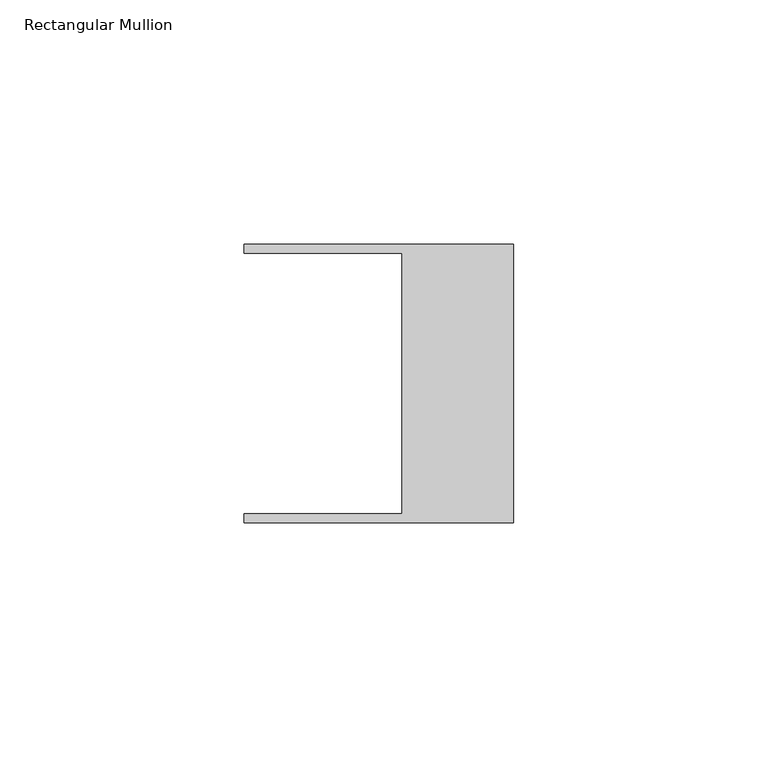
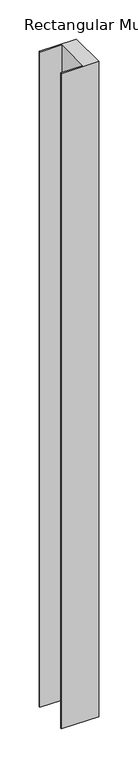
"""IFC4 building model written with IfcOpenShell, lengths in millimetres: member geometry, Rectangular Mullion."""

import ifcopenshell
import ifcopenshell.guid

model = None  # the IFC model being written
_history = None  # IfcOwnerHistory: only IFC2X3 demands one
_inside = {}  # id of a spatial element -> (the spatial element, [elements in it])
_under = {}  # id of a project, library or spatial element -> (it, [spatial elements below it])
_declared = {}  # id of a project -> (the project, [libraries it declares])
_typed = {}  # id of a type object -> (the type object, [elements of that type])
_made_of = {}  # id of a material, layer set ... -> (it, [elements and type objects made of it])


def new_model(schema):
    """Start an empty IFC model of exactly this schema.

    Asked for "IFC4X3", IfcOpenShell would pick the latest addendum, in which some entities
    have other attributes; the version numbers below select the first issue.
    IFC2X3 requires an IfcOwnerHistory on every rooted entity: one is made here for all.
    """
    global model, _history
    if schema == "IFC4X3":
        model = ifcopenshell.file(schema_version=(4, 3, 0, 0))
    else:
        model = ifcopenshell.file(schema=schema)
    _inside.clear()
    _under.clear()
    _declared.clear()
    _typed.clear()
    _made_of.clear()
    _history = None
    if model.schema == "IFC2X3":
        org = make("IfcOrganization", Name="unknown")
        user = make(
            "IfcPersonAndOrganization",
            ThePerson=make("IfcPerson", FamilyName="unknown"),
            TheOrganization=org,
        )
        app = make(
            "IfcApplication",
            ApplicationDeveloper=org,
            Version="unknown",
            ApplicationFullName="unknown",
            ApplicationIdentifier="unknown",
        )
        _history = make(
            "IfcOwnerHistory",
            OwningUser=user,
            OwningApplication=app,
            ChangeAction="ADDED",
            CreationDate=0,
        )
    return model


def make(cls, **values):
    """One entity of the class cls with the attributes given. An attribute that is None is left unset."""
    return model.create_entity(
        cls, **{name: value for name, value in values.items() if value is not None}
    )


def rooted(cls, **values):
    """An entity with a GlobalId (a new one), such as an element, a storey or a relation."""
    return make(cls, GlobalId=ifcopenshell.guid.new(), OwnerHistory=_history, **values)


def si_unit(unit_type, name, prefix=None):
    """IfcSIUnit, for example si_unit("LENGTHUNIT", "METRE", prefix="MILLI")."""
    return make("IfcSIUnit", UnitType=unit_type, Prefix=prefix, Name=name)


def assignment(units):
    """IfcUnitAssignment: the units of a project."""
    return None if units is None else make("IfcUnitAssignment", Units=units)


def point(xyz):
    """IfcCartesianPoint."""
    return None if xyz is None else make("IfcCartesianPoint", Coordinates=xyz)


def direction(xyz):
    """IfcDirection."""
    return None if xyz is None else make("IfcDirection", DirectionRatios=xyz)


def frame(location, z_axis=None, x_axis=None):
    """IfcAxis2Placement3D, a coordinate frame: its origin and axes. An axis left out is left unset."""
    return make(
        "IfcAxis2Placement3D",
        Location=point(location),
        Axis=direction(z_axis),
        RefDirection=direction(x_axis),
    )


def origin():
    """The frame at (0, 0, 0) with its axes left unset."""
    return frame((0.0, 0.0, 0.0))


def place(relative_to, where):
    """IfcLocalPlacement: puts the frame where relative to a parent placement (None: the world)."""
    return make(
        "IfcLocalPlacement", PlacementRelTo=relative_to, RelativePlacement=where
    )


def context(
    kind, dimensions, precision=None, world=None, true_north=None, identifier=None
):
    """IfcGeometricRepresentationContext, for example the 3D "Model" context."""
    return make(
        "IfcGeometricRepresentationContext",
        ContextIdentifier=identifier,
        ContextType=kind,
        CoordinateSpaceDimension=dimensions,
        Precision=precision,
        WorldCoordinateSystem=world,
        TrueNorth=true_north,
    )


def project(units=None, contexts=None):
    """IfcProject with its units and contexts."""
    return rooted(
        "IfcProject",
        Name="project",
        RepresentationContexts=contexts,
        UnitsInContext=assignment(units),
    )


def spatial(cls, under=None, at=None, **own):
    """A site, building, storey or space (cls), placed at a placement, below another one or the project."""
    s = rooted(cls, ObjectPlacement=at, **own)
    if under is not None:
        _under.setdefault(under.id(), (under, []))[1].append(s)
    return s


def polyline(points):
    """IfcPolyline through the points."""
    return make("IfcPolyline", Points=[point(p) for p in points])


def outline(outer, holes=None, kind="AREA"):
    """IfcArbitraryClosedProfileDef: a profile drawn as a closed curve; with holes, ...WithVoids."""
    if holes is None:
        return make("IfcArbitraryClosedProfileDef", ProfileType=kind, OuterCurve=outer)
    return make(
        "IfcArbitraryProfileDefWithVoids",
        ProfileType=kind,
        OuterCurve=outer,
        InnerCurves=holes,
    )


def extrude(swept, where, along, depth):
    """IfcExtrudedAreaSolid: the profile swept, set in the frame where, extruded along a direction by depth."""
    return make(
        "IfcExtrudedAreaSolid",
        SweptArea=swept,
        Position=where,
        ExtrudedDirection=direction(along),
        Depth=depth,
    )


def shape(context_of_items, identifier, shape_type, items):
    """IfcShapeRepresentation: the items that make up one representation, for example the "Body"."""
    return make(
        "IfcShapeRepresentation",
        ContextOfItems=context_of_items,
        RepresentationIdentifier=identifier,
        RepresentationType=shape_type,
        Items=items,
    )


def source(mapping_origin, context_of_items, identifier, shape_type, items):
    """IfcRepresentationMap: a shape defined once, which mapped items show again and again."""
    return make(
        "IfcRepresentationMap",
        MappingOrigin=mapping_origin,
        MappedRepresentation=shape(context_of_items, identifier, shape_type, items),
    )


def transform(
    local_origin,
    x_axis=None,
    y_axis=None,
    z_axis=None,
    scale=None,
    scale2=None,
    scale3=None,
    uniform=True,
):
    """IfcCartesianTransformationOperator3D, or its non-uniform kind. x_axis, y_axis, z_axis: its Axis1, 2, 3."""
    if uniform:
        return make(
            "IfcCartesianTransformationOperator3D",
            Axis1=direction(x_axis),
            Axis2=direction(y_axis),
            LocalOrigin=point(local_origin),
            Scale=scale,
            Axis3=direction(z_axis),
        )
    return make(
        "IfcCartesianTransformationOperator3DnonUniform",
        Axis1=direction(x_axis),
        Axis2=direction(y_axis),
        LocalOrigin=point(local_origin),
        Scale=scale,
        Axis3=direction(z_axis),
        Scale2=scale2,
        Scale3=scale3,
    )


def mapped(mapping_source, mapping_target):
    """IfcMappedItem: shows the shape of a source again, moved by a transform."""
    return make(
        "IfcMappedItem", MappingSource=mapping_source, MappingTarget=mapping_target
    )


def made_of(thing, what):
    """Note that an element or type object is made of a material, layer set ...; save() writes the relation."""
    if what is not None:
        _made_of.setdefault(what.id(), (what, []))[1].append(thing)
    return thing


def element(
    cls,
    number,
    at=None,
    inside=None,
    cuts=None,
    type_object=None,
    material=None,
    context=None,
    identifier="Body",
    shape_type=None,
    held_by="IfcProductDefinitionShape",
    body=None,
    shapes=None,
    **own,
):
    """One element of the class cls, such as IfcWall. Its Tag is "e" and its number.

    at: its placement. inside: the storey or other place that contains it. cuts: it is an
    opening in that element (IfcRelVoidsElement). A single representation is given by context,
    identifier, shape_type and body (its items); several are given by shapes. held_by: the class
    of the entity that holds the representations. save() writes the other relations.
    """
    e = rooted(cls, Tag="e%d" % number, ObjectPlacement=at, **own)
    if body is not None:
        shapes = [shape(context, identifier, shape_type, body)]
    if shapes is not None:
        e.Representation = make(held_by, Representations=shapes)
    if inside is not None:
        _inside.setdefault(inside.id(), (inside, []))[1].append(e)
    if cuts is not None:
        rooted(
            "IfcRelVoidsElement", RelatingBuildingElement=cuts, RelatedOpeningElement=e
        )
    if type_object is not None:
        _typed.setdefault(type_object.id(), (type_object, []))[1].append(e)
    return made_of(e, material)


def aggregate(whole, parts):
    """IfcRelAggregates: a whole, such as a stair, and the parts it consists of."""
    return rooted("IfcRelAggregates", RelatingObject=whole, RelatedObjects=parts)


def save(model, path):
    """Write the relations noted so far, then the file.

    IfcRelAggregates (storeys below a building ...), IfcRelContainedInSpatialStructure (elements
    in a storey), IfcRelDefinesByType, IfcRelAssociatesMaterial and IfcRelDeclares: one each for
    every whole, place, type object, material and project.
    """
    for whole, parts in _under.values():
        aggregate(whole, parts)
    for where, things in _inside.values():
        rooted(
            "IfcRelContainedInSpatialStructure",
            RelatedElements=things,
            RelatingStructure=where,
        )
    for kind, things in _typed.values():
        rooted("IfcRelDefinesByType", RelatedObjects=things, RelatingType=kind)
    for what, things in _made_of.values():
        rooted("IfcRelAssociatesMaterial", RelatedObjects=things, RelatingMaterial=what)
    for by, libraries in _declared.values():
        rooted("IfcRelDeclares", RelatingContext=by, RelatedDefinitions=libraries)
    model.write(path)


def rectangular_mullion_4de5fc5a(model_context):
    return source(origin(), model_context, "Body", "SweptSolid", [
        extrude(outline(polyline([(-55.118, 26.67), (-55.118, 28.448), (0.0, 28.448), (0.0, -28.448), (-55.118, -28.448), (-55.118, -26.67), (-22.86, -26.67), (-22.86, 26.67), (-55.118, 26.67)])), frame((0.0, 0.0, -1022.35), z_axis=(0.0, 0.0, 1.0), x_axis=(1.0, 0.0, 0.0)), (0.0, 0.0, 1.0), 1022.35),
    ])


if __name__ == "__main__":
    model = new_model("IFC4")
    model_context = context("Model", 3, world=origin())
    ifc_project = project(units=[si_unit("LENGTHUNIT", "METRE", prefix="MILLI")], contexts=[model_context])
    site = spatial("IfcSite", under=ifc_project)
    building = spatial("IfcBuilding", under=site)
    placement = place(None, origin())
    rectangular_mullion_shape = rectangular_mullion_4de5fc5a(model_context)
    element("IfcMember", 1, ObjectType="Rectangular Mullion", at=placement, inside=building, context=model_context, shape_type="MappedRepresentation", body=[
        mapped(rectangular_mullion_shape, transform((0.0, 0.0, 0.0), x_axis=(1.0, 0.0, 0.0), y_axis=(0.0, 1.0, 0.0), z_axis=(0.0, 0.0, 1.0))),
    ])
    save(model, "model.ifc")
